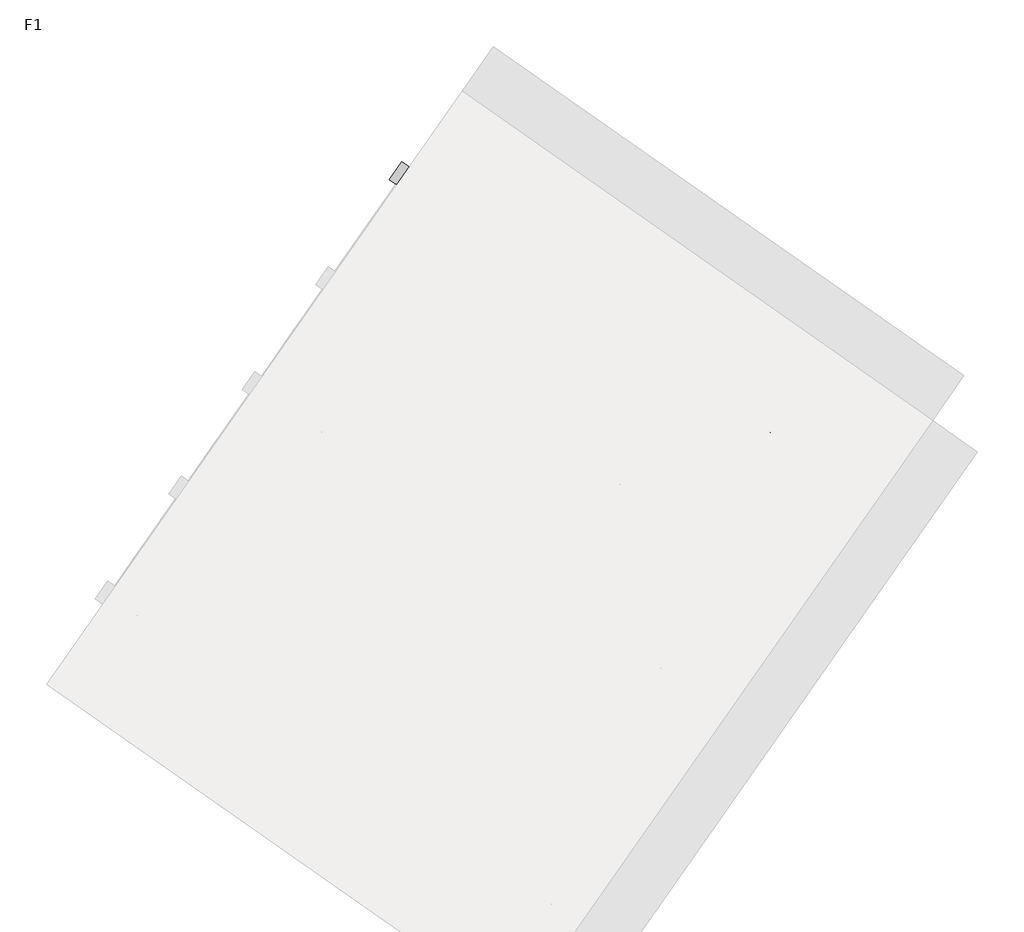
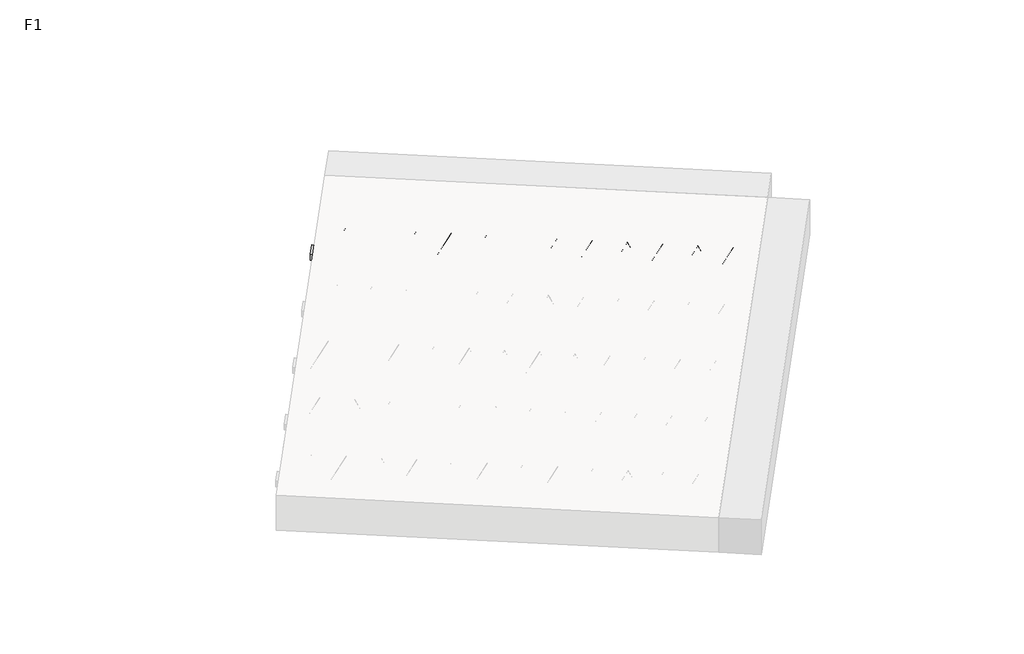
# One storey, part 27 of 30: 2 beams.
"""IFC4 building model written with IfcOpenShell, lengths in millimetres."""

from ifc_helpers import new_model, si_unit, point, frame, origin, origin_2d, place, context, project, spatial, polyline, circle_curve, trimmed, segment, composite_curve, outline, extrude, element, save

model = new_model("IFC4")

# Units and contexts
model_context = context("Model", 3, world=origin())
ifc_project = project(units=[si_unit("LENGTHUNIT", "METRE", prefix="MILLI")], contexts=[model_context])

# Site, building, storey
site = spatial("IfcSite", under=ifc_project)
building = spatial("IfcBuilding", under=site)
storey = spatial("IfcBuildingStorey", under=building, Name="F1", Elevation=99520.0)

# Beams
placement = place(None, origin())
element("IfcBeam", 1, at=placement, inside=storey, context=model_context, shape_type="SweptSolid", body=[
    extrude(outline(polyline([(12049.571242, 7054.7734205), (12118.4004143, 7153.0716658), (14772.4530378, 5294.6840119), (14703.6238654, 5196.3857666), (12049.571242, 7054.7734205)])), frame((0.0, 0.0, 99720.0), z_axis=(0.0, 0.0, 1.0), x_axis=(1.0, 0.0, 0.0)), (0.0, 0.0, 1.0), 50.0),
])
element("IfcBeam", 2, at=placement, inside=storey, context=model_context, shape_type="SweptSolid", body=[
    extrude(outline(composite_curve([segment(trimmed(circle_curve(origin_2d(), 2.5), [point((-2.5000001, 0.0))], [point((2.5, 0.0))], False, "CARTESIAN"), True, "CONTINUOUS"), segment(trimmed(circle_curve(origin_2d(), 2.5), [point((2.5, 0.0))], [point((-2.5000001, 0.0))], False, "CARTESIAN"), True, "CONTINUOUS")], self_intersect=False)), frame((14697.7300508, 5229.8112502, 99745.0), z_axis=(-0.8191520442696126, 0.5735764363787226, 0.0), x_axis=(0.5735764363787226, 0.8191520442696126, 0.0)), (0.0, 0.0, 1.0), 3192.0),
    extrude(outline(composite_curve([segment(trimmed(circle_curve(origin_2d(), 2.5), [point((-2.5, 0.0))], [point((2.5, 0.0))], False, "CARTESIAN"), True, "CONTINUOUS"), segment(trimmed(circle_curve(origin_2d(), 2.5), [point((2.5, 0.0))], [point((-2.5, 0.0))], False, "CARTESIAN"), True, "CONTINUOUS")], self_intersect=False)), frame((14578.3038029, 5357.3822944, 99970.0), z_axis=(-0.8191520442696126, 0.5735764363787226, 0.0), x_axis=(0.5735764363787226, 0.8191520442696126, 0.0)), (0.0, 0.0, 1.0), 2850.0),
    extrude(outline(composite_curve([segment(trimmed(circle_curve(origin_2d(), 2.5), [point((-2.5, 0.0))], [point((2.5000001, 0.0))], False, "CARTESIAN"), True, "CONTINUOUS"), segment(trimmed(circle_curve(origin_2d(), 2.5), [point((2.5000001, 0.0))], [point((-2.5, 0.0))], False, "CARTESIAN"), True, "CONTINUOUS")], self_intersect=False)), frame((14619.0914545, 5284.874588, 99745.0), z_axis=(-0.3145304735701046, 0.38933448886848654, 0.8657304643902053), x_axis=(0.7778747638402499, 0.6284193279813057, 0.0)), (0.0, 0.0, 1.0), 259.8961331),
    extrude(outline(composite_curve([segment(trimmed(circle_curve(origin_2d(), 2.5), [point((2.5, 0.0))], [point((-2.5000001, 0.0))], False, "CARTESIAN"), True, "CONTINUOUS"), segment(trimmed(circle_curve(origin_2d(), 2.5), [point((-2.5000001, 0.0))], [point((2.5, 0.0))], False, "CARTESIAN"), True, "CONTINUOUS")], self_intersect=False)), frame((14414.3034435, 5428.2686971, 99745.0), z_axis=(0.47343050384693375, -0.16240172737369005, 0.8657304643902051), x_axis=(-0.3244721671091268, -0.9458952440791246, 0.0)), (0.0, 0.0, 1.0), 259.8961331),
    extrude(outline(composite_curve([segment(trimmed(circle_curve(origin_2d(), 2.5), [point((-2.5, 0.0))], [point((2.5, 1e-07))], False, "CARTESIAN"), True, "CONTINUOUS"), segment(trimmed(circle_curve(origin_2d(), 2.5), [point((2.5, 1e-07))], [point((-2.5, 0.0))], False, "CARTESIAN"), True, "CONTINUOUS")], self_intersect=False)), frame((14414.3034435, 5428.2686971, 99745.0), z_axis=(-0.3145304735701046, 0.38933448886848654, 0.8657304643902053), x_axis=(0.7778747638402499, 0.6284193279813057, 0.0)), (0.0, 0.0, 1.0), 259.8961331),
    extrude(outline(composite_curve([segment(trimmed(circle_curve(origin_2d(), 2.5), [point((2.5, 0.0))], [point((-2.5, 0.0))], False, "CARTESIAN"), True, "CONTINUOUS"), segment(trimmed(circle_curve(origin_2d(), 2.5), [point((-2.5, 0.0))], [point((2.5, 0.0))], False, "CARTESIAN"), True, "CONTINUOUS")], self_intersect=False)), frame((14209.5154324, 5571.6628062, 99745.0), z_axis=(0.47343050384693375, -0.16240172737369005, 0.8657304643902051), x_axis=(-0.3244721671091268, -0.9458952440791246, 0.0)), (0.0, 0.0, 1.0), 259.8961331),
    extrude(outline(composite_curve([segment(trimmed(circle_curve(origin_2d(), 2.5), [point((-2.5, 0.0))], [point((2.5, 1e-07))], False, "CARTESIAN"), True, "CONTINUOUS"), segment(trimmed(circle_curve(origin_2d(), 2.5), [point((2.5, 1e-07))], [point((-2.5, 0.0))], False, "CARTESIAN"), True, "CONTINUOUS")], self_intersect=False)), frame((14209.5154324, 5571.6628062, 99745.0), z_axis=(-0.3145304735701046, 0.38933448886848654, 0.8657304643902053), x_axis=(0.7778747638402499, 0.6284193279813057, 0.0)), (0.0, 0.0, 1.0), 259.8961331),
    extrude(outline(composite_curve([segment(trimmed(circle_curve(origin_2d(), 2.5), [point((2.5, 0.0))], [point((-2.5, 1e-07))], False, "CARTESIAN"), True, "CONTINUOUS"), segment(trimmed(circle_curve(origin_2d(), 2.5), [point((-2.5, 1e-07))], [point((2.5, 0.0))], False, "CARTESIAN"), True, "CONTINUOUS")], self_intersect=False)), frame((14004.7274213, 5715.0569153, 99745.0), z_axis=(0.47343050384693375, -0.16240172737369005, 0.8657304643902051), x_axis=(-0.3244721671091268, -0.9458952440791246, 0.0)), (0.0, 0.0, 1.0), 259.8961331),
    extrude(outline(composite_curve([segment(trimmed(circle_curve(origin_2d(), 2.5), [point((-2.5, 0.0))], [point((2.5000001, 0.0))], False, "CARTESIAN"), True, "CONTINUOUS"), segment(trimmed(circle_curve(origin_2d(), 2.5), [point((2.5000001, 0.0))], [point((-2.5, 0.0))], False, "CARTESIAN"), True, "CONTINUOUS")], self_intersect=False)), frame((14004.7274213, 5715.0569153, 99745.0), z_axis=(-0.3145304735701046, 0.38933448886848654, 0.8657304643902053), x_axis=(0.7778747638402499, 0.6284193279813057, 0.0)), (0.0, 0.0, 1.0), 259.8961331),
    extrude(outline(composite_curve([segment(trimmed(circle_curve(origin_2d(), 2.5), [point((2.5, 0.0))], [point((-2.5, 0.0))], False, "CARTESIAN"), True, "CONTINUOUS"), segment(trimmed(circle_curve(origin_2d(), 2.5), [point((-2.5, 0.0))], [point((2.5, 0.0))], False, "CARTESIAN"), True, "CONTINUOUS")], self_intersect=False)), frame((13799.9394103, 5858.4510244, 99745.0), z_axis=(0.47343050384693375, -0.16240172737369005, 0.8657304643902051), x_axis=(-0.3244721671091268, -0.9458952440791246, 0.0)), (0.0, 0.0, 1.0), 259.8961331),
    extrude(outline(composite_curve([segment(trimmed(circle_curve(origin_2d(), 2.5), [point((-2.5, 0.0))], [point((2.5, 0.0))], False, "CARTESIAN"), True, "CONTINUOUS"), segment(trimmed(circle_curve(origin_2d(), 2.5), [point((2.5, 0.0))], [point((-2.5, 0.0))], False, "CARTESIAN"), True, "CONTINUOUS")], self_intersect=False)), frame((13799.9394103, 5858.4510244, 99745.0), z_axis=(-0.3145304735701046, 0.38933448886848654, 0.8657304643902053), x_axis=(0.7778747638402499, 0.6284193279813057, 0.0)), (0.0, 0.0, 1.0), 259.8961331),
    extrude(outline(composite_curve([segment(trimmed(circle_curve(origin_2d(), 2.5), [point((2.5, 0.0))], [point((-2.5, 0.0))], False, "CARTESIAN"), True, "CONTINUOUS"), segment(trimmed(circle_curve(origin_2d(), 2.5), [point((-2.5, 0.0))], [point((2.5, 0.0))], False, "CARTESIAN"), True, "CONTINUOUS")], self_intersect=False)), frame((13595.1513992, 6001.8451335, 99745.0), z_axis=(0.47343050384693375, -0.16240172737369005, 0.8657304643902051), x_axis=(-0.3244721671091268, -0.9458952440791246, 0.0)), (0.0, 0.0, 1.0), 259.8961331),
    extrude(outline(composite_curve([segment(trimmed(circle_curve(origin_2d(), 2.5), [point((-2.5, 0.0))], [point((2.5, 0.0))], False, "CARTESIAN"), True, "CONTINUOUS"), segment(trimmed(circle_curve(origin_2d(), 2.5), [point((2.5, 0.0))], [point((-2.5, 0.0))], False, "CARTESIAN"), True, "CONTINUOUS")], self_intersect=False)), frame((13595.1513992, 6001.8451335, 99745.0), z_axis=(-0.3145304735701046, 0.38933448886848654, 0.8657304643902053), x_axis=(0.7778747638402499, 0.6284193279813057, 0.0)), (0.0, 0.0, 1.0), 259.8961331),
    extrude(outline(composite_curve([segment(trimmed(circle_curve(origin_2d(), 2.5), [point((2.5, 0.0))], [point((-2.5, 1e-07))], False, "CARTESIAN"), True, "CONTINUOUS"), segment(trimmed(circle_curve(origin_2d(), 2.5), [point((-2.5, 1e-07))], [point((2.5, 0.0))], False, "CARTESIAN"), True, "CONTINUOUS")], self_intersect=False)), frame((13390.3633881, 6145.2392426, 99745.0), z_axis=(0.47343050384693375, -0.16240172737369005, 0.8657304643902051), x_axis=(-0.3244721671091268, -0.9458952440791246, 0.0)), (0.0, 0.0, 1.0), 259.8961331),
    extrude(outline(composite_curve([segment(trimmed(circle_curve(origin_2d(), 2.5), [point((-2.5, 0.0))], [point((2.5000001, -1e-07))], False, "CARTESIAN"), True, "CONTINUOUS"), segment(trimmed(circle_curve(origin_2d(), 2.5), [point((2.5000001, -1e-07))], [point((-2.5, 0.0))], False, "CARTESIAN"), True, "CONTINUOUS")], self_intersect=False)), frame((13390.3633881, 6145.2392426, 99745.0), z_axis=(-0.3145304735701046, 0.38933448886848654, 0.8657304643902053), x_axis=(0.7778747638402499, 0.6284193279813057, 0.0)), (0.0, 0.0, 1.0), 259.8961331),
    extrude(outline(composite_curve([segment(trimmed(circle_curve(origin_2d(), 2.5), [point((2.5, 0.0))], [point((-2.5, 0.0))], False, "CARTESIAN"), True, "CONTINUOUS"), segment(trimmed(circle_curve(origin_2d(), 2.5), [point((-2.5, 0.0))], [point((2.5, 0.0))], False, "CARTESIAN"), True, "CONTINUOUS")], self_intersect=False)), frame((13185.5753771, 6288.6333517, 99745.0), z_axis=(0.47343050384693375, -0.16240172737369005, 0.8657304643902051), x_axis=(-0.3244721671091268, -0.9458952440791246, 0.0)), (0.0, 0.0, 1.0), 259.8961331),
    extrude(outline(composite_curve([segment(trimmed(circle_curve(origin_2d(), 2.5), [point((-2.5, 0.0))], [point((2.5, 0.0))], False, "CARTESIAN"), True, "CONTINUOUS"), segment(trimmed(circle_curve(origin_2d(), 2.5), [point((2.5, 0.0))], [point((-2.5, 0.0))], False, "CARTESIAN"), True, "CONTINUOUS")], self_intersect=False)), frame((13185.5753771, 6288.6333517, 99745.0), z_axis=(-0.3145304735701046, 0.38933448886848654, 0.8657304643902053), x_axis=(0.7778747638402499, 0.6284193279813057, 0.0)), (0.0, 0.0, 1.0), 259.8961331),
    extrude(outline(composite_curve([segment(trimmed(circle_curve(origin_2d(), 2.5), [point((2.5, 0.0))], [point((-2.5, 0.0))], False, "CARTESIAN"), True, "CONTINUOUS"), segment(trimmed(circle_curve(origin_2d(), 2.5), [point((-2.5, 0.0))], [point((2.5, 0.0))], False, "CARTESIAN"), True, "CONTINUOUS")], self_intersect=False)), frame((12980.787366, 6432.0274608, 99745.0), z_axis=(0.47343050384693375, -0.16240172737369005, 0.8657304643902051), x_axis=(-0.3244721671091268, -0.9458952440791246, 0.0)), (0.0, 0.0, 1.0), 259.8961331),
    extrude(outline(composite_curve([segment(trimmed(circle_curve(origin_2d(), 2.5), [point((-2.5, 0.0))], [point((2.5, 0.0))], False, "CARTESIAN"), True, "CONTINUOUS"), segment(trimmed(circle_curve(origin_2d(), 2.5), [point((2.5, 0.0))], [point((-2.5, 0.0))], False, "CARTESIAN"), True, "CONTINUOUS")], self_intersect=False)), frame((12980.787366, 6432.0274608, 99745.0), z_axis=(-0.3145304735701046, 0.38933448886848654, 0.8657304643902053), x_axis=(0.7778747638402499, 0.6284193279813057, 0.0)), (0.0, 0.0, 1.0), 259.8961331),
    extrude(outline(composite_curve([segment(trimmed(circle_curve(origin_2d(), 2.5), [point((2.5, 0.0))], [point((-2.5, 1e-07))], False, "CARTESIAN"), True, "CONTINUOUS"), segment(trimmed(circle_curve(origin_2d(), 2.5), [point((-2.5, 1e-07))], [point((2.5, 0.0))], False, "CARTESIAN"), True, "CONTINUOUS")], self_intersect=False)), frame((12775.9993549, 6575.4215699, 99745.0), z_axis=(0.47343050384693375, -0.16240172737369005, 0.8657304643902051), x_axis=(-0.3244721671091268, -0.9458952440791246, 0.0)), (0.0, 0.0, 1.0), 259.8961331),
    extrude(outline(composite_curve([segment(trimmed(circle_curve(origin_2d(), 2.5), [point((-2.5, 0.0))], [point((2.5000001, -1e-07))], False, "CARTESIAN"), True, "CONTINUOUS"), segment(trimmed(circle_curve(origin_2d(), 2.5), [point((2.5000001, -1e-07))], [point((-2.5, 0.0))], False, "CARTESIAN"), True, "CONTINUOUS")], self_intersect=False)), frame((12775.9993549, 6575.4215699, 99745.0), z_axis=(-0.3145304735701046, 0.38933448886848654, 0.8657304643902053), x_axis=(0.7778747638402499, 0.6284193279813057, 0.0)), (0.0, 0.0, 1.0), 259.8961331),
    extrude(outline(composite_curve([segment(trimmed(circle_curve(origin_2d(), 2.5), [point((2.5, 0.0))], [point((-2.5, 0.0))], False, "CARTESIAN"), True, "CONTINUOUS"), segment(trimmed(circle_curve(origin_2d(), 2.5), [point((-2.5, 0.0))], [point((2.5, 0.0))], False, "CARTESIAN"), True, "CONTINUOUS")], self_intersect=False)), frame((12571.2113439, 6718.815679, 99745.0), z_axis=(0.47343050384693375, -0.16240172737369005, 0.8657304643902051), x_axis=(-0.3244721671091268, -0.9458952440791246, 0.0)), (0.0, 0.0, 1.0), 259.8961331),
    extrude(outline(composite_curve([segment(trimmed(circle_curve(origin_2d(), 2.5), [point((-2.5, 0.0))], [point((2.5, 0.0))], False, "CARTESIAN"), True, "CONTINUOUS"), segment(trimmed(circle_curve(origin_2d(), 2.5), [point((2.5, 0.0))], [point((-2.5, 0.0))], False, "CARTESIAN"), True, "CONTINUOUS")], self_intersect=False)), frame((12571.2113439, 6718.815679, 99745.0), z_axis=(-0.3145304735701046, 0.38933448886848654, 0.8657304643902053), x_axis=(0.7778747638402499, 0.6284193279813057, 0.0)), (0.0, 0.0, 1.0), 259.8961331),
    extrude(outline(composite_curve([segment(trimmed(circle_curve(origin_2d(), 2.5), [point((2.5, 0.0))], [point((-2.5, 0.0))], False, "CARTESIAN"), True, "CONTINUOUS"), segment(trimmed(circle_curve(origin_2d(), 2.5), [point((-2.5, 0.0))], [point((2.5, 0.0))], False, "CARTESIAN"), True, "CONTINUOUS")], self_intersect=False)), frame((12366.4233328, 6862.2097881, 99745.0), z_axis=(0.47343050384693375, -0.16240172737369005, 0.8657304643902051), x_axis=(-0.3244721671091268, -0.9458952440791246, 0.0)), (0.0, 0.0, 1.0), 259.8961331),
    extrude(outline(composite_curve([segment(trimmed(circle_curve(origin_2d(), 2.5), [point((-2.5, 0.0))], [point((2.5, 0.0))], False, "CARTESIAN"), True, "CONTINUOUS"), segment(trimmed(circle_curve(origin_2d(), 2.5), [point((2.5, 0.0))], [point((-2.5, 0.0))], False, "CARTESIAN"), True, "CONTINUOUS")], self_intersect=False)), frame((12366.4233328, 6862.2097881, 99745.0), z_axis=(-0.3145304735701046, 0.38933448886848654, 0.8657304643902053), x_axis=(0.7778747638402499, 0.6284193279813057, 0.0)), (0.0, 0.0, 1.0), 259.8961331),
    extrude(outline(composite_curve([segment(trimmed(circle_curve(origin_2d(), 2.5), [point((2.5, 0.0))], [point((-2.5, 1e-07))], False, "CARTESIAN"), True, "CONTINUOUS"), segment(trimmed(circle_curve(origin_2d(), 2.5), [point((-2.5, 1e-07))], [point((2.5, 0.0))], False, "CARTESIAN"), True, "CONTINUOUS")], self_intersect=False)), frame((12161.6353217, 7005.6038972, 99745.0), z_axis=(0.47343050384693375, -0.16240172737369005, 0.8657304643902051), x_axis=(-0.3244721671091268, -0.9458952440791246, 0.0)), (0.0, 0.0, 1.0), 259.8961331),
    extrude(outline(composite_curve([segment(trimmed(circle_curve(origin_2d(), 2.5), [point((-2.5, 0.0))], [point((2.5000001, 0.0))], False, "CARTESIAN"), True, "CONTINUOUS"), segment(trimmed(circle_curve(origin_2d(), 2.5), [point((2.5000001, 0.0))], [point((-2.5, 0.0))], False, "CARTESIAN"), True, "CONTINUOUS")], self_intersect=False)), frame((14739.0275542, 5288.7901973, 99745.0), z_axis=(-0.8191520442696126, 0.5735764363787226, 0.0), x_axis=(0.5735764363787226, 0.8191520442696126, 0.0)), (0.0, 0.0, 1.0), 3192.0),
    extrude(outline(composite_curve([segment(trimmed(circle_curve(origin_2d(), 2.5), [point((-2.5, 1e-07))], [point((2.5, 0.0))], False, "CARTESIAN"), True, "CONTINUOUS"), segment(trimmed(circle_curve(origin_2d(), 2.5), [point((2.5, 0.0))], [point((-2.5, 1e-07))], False, "CARTESIAN"), True, "CONTINUOUS")], self_intersect=False)), frame((14660.388958, 5343.8535352, 99745.0), z_axis=(-0.47343050384693375, 0.16240172737369005, 0.8657304643902051), x_axis=(0.3244721671091268, 0.9458952440791246, 0.0)), (0.0, 0.0, 1.0), 259.8961331),
    extrude(outline(composite_curve([segment(trimmed(circle_curve(origin_2d(), 2.5), [point((2.5, 0.0))], [point((-2.5, 0.0))], False, "CARTESIAN"), True, "CONTINUOUS"), segment(trimmed(circle_curve(origin_2d(), 2.5), [point((-2.5, 0.0))], [point((2.5, 0.0))], False, "CARTESIAN"), True, "CONTINUOUS")], self_intersect=False)), frame((14455.6009469, 5487.2476443, 99745.0), z_axis=(0.3145304735701046, -0.38933448886848654, 0.8657304643902053), x_axis=(-0.7778747638402499, -0.6284193279813057, 0.0)), (0.0, 0.0, 1.0), 259.8961331),
    extrude(outline(composite_curve([segment(trimmed(circle_curve(origin_2d(), 2.5), [point((-2.5, 0.0))], [point((2.5, 0.0))], False, "CARTESIAN"), True, "CONTINUOUS"), segment(trimmed(circle_curve(origin_2d(), 2.5), [point((2.5, 0.0))], [point((-2.5, 0.0))], False, "CARTESIAN"), True, "CONTINUOUS")], self_intersect=False)), frame((14455.6009469, 5487.2476443, 99745.0), z_axis=(-0.47343050384693375, 0.16240172737369005, 0.8657304643902051), x_axis=(0.3244721671091268, 0.9458952440791246, 0.0)), (0.0, 0.0, 1.0), 259.8961331),
    extrude(outline(composite_curve([segment(trimmed(circle_curve(origin_2d(), 2.5), [point((2.5, 0.0))], [point((-2.5, 0.0))], False, "CARTESIAN"), True, "CONTINUOUS"), segment(trimmed(circle_curve(origin_2d(), 2.5), [point((-2.5, 0.0))], [point((2.5, 0.0))], False, "CARTESIAN"), True, "CONTINUOUS")], self_intersect=False)), frame((14250.8129358, 5630.6417534, 99745.0), z_axis=(0.3145304735701046, -0.38933448886848654, 0.8657304643902053), x_axis=(-0.7778747638402499, -0.6284193279813057, 0.0)), (0.0, 0.0, 1.0), 259.8961331),
    extrude(outline(composite_curve([segment(trimmed(circle_curve(origin_2d(), 2.5), [point((-2.5, 0.0))], [point((2.5, -1e-07))], False, "CARTESIAN"), True, "CONTINUOUS"), segment(trimmed(circle_curve(origin_2d(), 2.5), [point((2.5, -1e-07))], [point((-2.5, 0.0))], False, "CARTESIAN"), True, "CONTINUOUS")], self_intersect=False)), frame((14250.8129358, 5630.6417534, 99745.0), z_axis=(-0.47343050384693375, 0.16240172737369005, 0.8657304643902051), x_axis=(0.3244721671091268, 0.9458952440791246, 0.0)), (0.0, 0.0, 1.0), 259.8961331),
    extrude(outline(composite_curve([segment(trimmed(circle_curve(origin_2d(), 2.5), [point((2.5, 0.0))], [point((-2.5, 0.0))], False, "CARTESIAN"), True, "CONTINUOUS"), segment(trimmed(circle_curve(origin_2d(), 2.5), [point((-2.5, 0.0))], [point((2.5, 0.0))], False, "CARTESIAN"), True, "CONTINUOUS")], self_intersect=False)), frame((14046.0249248, 5774.0358625, 99745.0), z_axis=(0.3145304735701046, -0.38933448886848654, 0.8657304643902053), x_axis=(-0.7778747638402499, -0.6284193279813057, 0.0)), (0.0, 0.0, 1.0), 259.8961331),
    extrude(outline(composite_curve([segment(trimmed(circle_curve(origin_2d(), 2.5), [point((-2.5, 1e-07))], [point((2.5, 0.0))], False, "CARTESIAN"), True, "CONTINUOUS"), segment(trimmed(circle_curve(origin_2d(), 2.5), [point((2.5, 0.0))], [point((-2.5, 1e-07))], False, "CARTESIAN"), True, "CONTINUOUS")], self_intersect=False)), frame((14046.0249248, 5774.0358625, 99745.0), z_axis=(-0.47343050384693375, 0.16240172737369005, 0.8657304643902051), x_axis=(0.3244721671091268, 0.9458952440791246, 0.0)), (0.0, 0.0, 1.0), 259.8961331),
    extrude(outline(composite_curve([segment(trimmed(circle_curve(origin_2d(), 2.5), [point((2.5, 0.0))], [point((-2.5, 0.0))], False, "CARTESIAN"), True, "CONTINUOUS"), segment(trimmed(circle_curve(origin_2d(), 2.5), [point((-2.5, 0.0))], [point((2.5, 0.0))], False, "CARTESIAN"), True, "CONTINUOUS")], self_intersect=False)), frame((13841.2369137, 5917.4299716, 99745.0), z_axis=(0.3145304735701046, -0.38933448886848654, 0.8657304643902053), x_axis=(-0.7778747638402499, -0.6284193279813057, 0.0)), (0.0, 0.0, 1.0), 259.8961331),
    extrude(outline(composite_curve([segment(trimmed(circle_curve(origin_2d(), 2.5), [point((-2.5, 0.0))], [point((2.5, 0.0))], False, "CARTESIAN"), True, "CONTINUOUS"), segment(trimmed(circle_curve(origin_2d(), 2.5), [point((2.5, 0.0))], [point((-2.5, 0.0))], False, "CARTESIAN"), True, "CONTINUOUS")], self_intersect=False)), frame((13841.2369137, 5917.4299716, 99745.0), z_axis=(-0.47343050384693375, 0.16240172737369005, 0.8657304643902051), x_axis=(0.3244721671091268, 0.9458952440791246, 0.0)), (0.0, 0.0, 1.0), 259.8961331),
    extrude(outline(composite_curve([segment(trimmed(circle_curve(origin_2d(), 2.5), [point((2.5, 0.0))], [point((-2.5, 0.0))], False, "CARTESIAN"), True, "CONTINUOUS"), segment(trimmed(circle_curve(origin_2d(), 2.5), [point((-2.5, 0.0))], [point((2.5, 0.0))], False, "CARTESIAN"), True, "CONTINUOUS")], self_intersect=False)), frame((13636.4489026, 6060.8240807, 99745.0), z_axis=(0.3145304735701046, -0.38933448886848654, 0.8657304643902053), x_axis=(-0.7778747638402499, -0.6284193279813057, 0.0)), (0.0, 0.0, 1.0), 259.8961331),
    extrude(outline(composite_curve([segment(trimmed(circle_curve(origin_2d(), 2.5), [point((-2.5, 0.0))], [point((2.5, 0.0))], False, "CARTESIAN"), True, "CONTINUOUS"), segment(trimmed(circle_curve(origin_2d(), 2.5), [point((2.5, 0.0))], [point((-2.5, 0.0))], False, "CARTESIAN"), True, "CONTINUOUS")], self_intersect=False)), frame((13636.4489026, 6060.8240807, 99745.0), z_axis=(-0.47343050384693375, 0.16240172737369005, 0.8657304643902051), x_axis=(0.3244721671091268, 0.9458952440791246, 0.0)), (0.0, 0.0, 1.0), 259.8961331),
    extrude(outline(composite_curve([segment(trimmed(circle_curve(origin_2d(), 2.5), [point((2.5, 0.0))], [point((-2.5, 0.0))], False, "CARTESIAN"), True, "CONTINUOUS"), segment(trimmed(circle_curve(origin_2d(), 2.5), [point((-2.5, 0.0))], [point((2.5, 0.0))], False, "CARTESIAN"), True, "CONTINUOUS")], self_intersect=False)), frame((13431.6608916, 6204.2181898, 99745.0), z_axis=(0.3145304735701046, -0.38933448886848654, 0.8657304643902053), x_axis=(-0.7778747638402499, -0.6284193279813057, 0.0)), (0.0, 0.0, 1.0), 259.8961331),
    extrude(outline(composite_curve([segment(trimmed(circle_curve(origin_2d(), 2.5), [point((-2.5, 1e-07))], [point((2.5, 0.0))], False, "CARTESIAN"), True, "CONTINUOUS"), segment(trimmed(circle_curve(origin_2d(), 2.5), [point((2.5, 0.0))], [point((-2.5, 1e-07))], False, "CARTESIAN"), True, "CONTINUOUS")], self_intersect=False)), frame((13431.6608916, 6204.2181898, 99745.0), z_axis=(-0.47343050384693375, 0.16240172737369005, 0.8657304643902051), x_axis=(0.3244721671091268, 0.9458952440791246, 0.0)), (0.0, 0.0, 1.0), 259.8961331),
    extrude(outline(composite_curve([segment(trimmed(circle_curve(origin_2d(), 2.5), [point((2.5, 0.0))], [point((-2.5, 0.0))], False, "CARTESIAN"), True, "CONTINUOUS"), segment(trimmed(circle_curve(origin_2d(), 2.5), [point((-2.5, 0.0))], [point((2.5, 0.0))], False, "CARTESIAN"), True, "CONTINUOUS")], self_intersect=False)), frame((13226.8728805, 6347.6122989, 99745.0), z_axis=(0.3145304735701046, -0.38933448886848654, 0.8657304643902053), x_axis=(-0.7778747638402499, -0.6284193279813057, 0.0)), (0.0, 0.0, 1.0), 259.8961331),
    extrude(outline(composite_curve([segment(trimmed(circle_curve(origin_2d(), 2.5), [point((-2.5, 0.0))], [point((2.5, 0.0))], False, "CARTESIAN"), True, "CONTINUOUS"), segment(trimmed(circle_curve(origin_2d(), 2.5), [point((2.5, 0.0))], [point((-2.5, 0.0))], False, "CARTESIAN"), True, "CONTINUOUS")], self_intersect=False)), frame((13226.8728805, 6347.6122989, 99745.0), z_axis=(-0.47343050384693375, 0.16240172737369005, 0.8657304643902051), x_axis=(0.3244721671091268, 0.9458952440791246, 0.0)), (0.0, 0.0, 1.0), 259.8961331),
    extrude(outline(composite_curve([segment(trimmed(circle_curve(origin_2d(), 2.5), [point((2.5, 0.0))], [point((-2.5, 0.0))], False, "CARTESIAN"), True, "CONTINUOUS"), segment(trimmed(circle_curve(origin_2d(), 2.5), [point((-2.5, 0.0))], [point((2.5, 0.0))], False, "CARTESIAN"), True, "CONTINUOUS")], self_intersect=False)), frame((13022.0848694, 6491.006408, 99745.0), z_axis=(0.3145304735701046, -0.38933448886848654, 0.8657304643902053), x_axis=(-0.7778747638402499, -0.6284193279813057, 0.0)), (0.0, 0.0, 1.0), 259.8961331),
    extrude(outline(composite_curve([segment(trimmed(circle_curve(origin_2d(), 2.5), [point((-2.5, 0.0))], [point((2.5, 0.0))], False, "CARTESIAN"), True, "CONTINUOUS"), segment(trimmed(circle_curve(origin_2d(), 2.5), [point((2.5, 0.0))], [point((-2.5, 0.0))], False, "CARTESIAN"), True, "CONTINUOUS")], self_intersect=False)), frame((13022.0848694, 6491.006408, 99745.0), z_axis=(-0.47343050384693375, 0.16240172737369005, 0.8657304643902051), x_axis=(0.3244721671091268, 0.9458952440791246, 0.0)), (0.0, 0.0, 1.0), 259.8961331),
    extrude(outline(composite_curve([segment(trimmed(circle_curve(origin_2d(), 2.5), [point((2.5, 0.0))], [point((-2.5, 0.0))], False, "CARTESIAN"), True, "CONTINUOUS"), segment(trimmed(circle_curve(origin_2d(), 2.5), [point((-2.5, 0.0))], [point((2.5, 0.0))], False, "CARTESIAN"), True, "CONTINUOUS")], self_intersect=False)), frame((12817.2968584, 6634.4005171, 99745.0), z_axis=(0.3145304735701046, -0.38933448886848654, 0.8657304643902053), x_axis=(-0.7778747638402499, -0.6284193279813057, 0.0)), (0.0, 0.0, 1.0), 259.8961331),
    extrude(outline(composite_curve([segment(trimmed(circle_curve(origin_2d(), 2.5), [point((-2.5, 1e-07))], [point((2.5, 0.0))], False, "CARTESIAN"), True, "CONTINUOUS"), segment(trimmed(circle_curve(origin_2d(), 2.5), [point((2.5, 0.0))], [point((-2.5, 1e-07))], False, "CARTESIAN"), True, "CONTINUOUS")], self_intersect=False)), frame((12817.2968584, 6634.4005171, 99745.0), z_axis=(-0.47343050384693375, 0.16240172737369005, 0.8657304643902051), x_axis=(0.3244721671091268, 0.9458952440791246, 0.0)), (0.0, 0.0, 1.0), 259.8961331),
    extrude(outline(composite_curve([segment(trimmed(circle_curve(origin_2d(), 2.5), [point((2.5, 0.0))], [point((-2.5, 0.0))], False, "CARTESIAN"), True, "CONTINUOUS"), segment(trimmed(circle_curve(origin_2d(), 2.5), [point((-2.5, 0.0))], [point((2.5, 0.0))], False, "CARTESIAN"), True, "CONTINUOUS")], self_intersect=False)), frame((12612.5088473, 6777.7946262, 99745.0), z_axis=(0.3145304735701046, -0.38933448886848654, 0.8657304643902053), x_axis=(-0.7778747638402499, -0.6284193279813057, 0.0)), (0.0, 0.0, 1.0), 259.8961331),
    extrude(outline(composite_curve([segment(trimmed(circle_curve(origin_2d(), 2.5), [point((-2.5, 0.0))], [point((2.5, 0.0))], False, "CARTESIAN"), True, "CONTINUOUS"), segment(trimmed(circle_curve(origin_2d(), 2.5), [point((2.5, 0.0))], [point((-2.5, 0.0))], False, "CARTESIAN"), True, "CONTINUOUS")], self_intersect=False)), frame((12612.5088473, 6777.7946262, 99745.0), z_axis=(-0.47343050384693375, 0.16240172737369005, 0.8657304643902051), x_axis=(0.3244721671091268, 0.9458952440791246, 0.0)), (0.0, 0.0, 1.0), 259.8961331),
    extrude(outline(composite_curve([segment(trimmed(circle_curve(origin_2d(), 2.5), [point((2.5, 0.0))], [point((-2.5, 0.0))], False, "CARTESIAN"), True, "CONTINUOUS"), segment(trimmed(circle_curve(origin_2d(), 2.5), [point((-2.5, 0.0))], [point((2.5, 0.0))], False, "CARTESIAN"), True, "CONTINUOUS")], self_intersect=False)), frame((12407.7208362, 6921.1887353, 99745.0), z_axis=(0.3145304735701046, -0.38933448886848654, 0.8657304643902053), x_axis=(-0.7778747638402499, -0.6284193279813057, 0.0)), (0.0, 0.0, 1.0), 259.8961331),
    extrude(outline(composite_curve([segment(trimmed(circle_curve(origin_2d(), 2.5), [point((-2.5, 0.0))], [point((2.5, 0.0))], False, "CARTESIAN"), True, "CONTINUOUS"), segment(trimmed(circle_curve(origin_2d(), 2.5), [point((2.5, 0.0))], [point((-2.5, 0.0))], False, "CARTESIAN"), True, "CONTINUOUS")], self_intersect=False)), frame((12407.7208362, 6921.1887353, 99745.0), z_axis=(-0.47343050384693375, 0.16240172737369005, 0.8657304643902051), x_axis=(0.3244721671091268, 0.9458952440791246, 0.0)), (0.0, 0.0, 1.0), 259.8961331),
    extrude(outline(composite_curve([segment(trimmed(circle_curve(origin_2d(), 2.5), [point((2.5000001, -1e-07))], [point((-2.5, 0.0))], False, "CARTESIAN"), True, "CONTINUOUS"), segment(trimmed(circle_curve(origin_2d(), 2.5), [point((-2.5, 0.0))], [point((2.5000001, -1e-07))], False, "CARTESIAN"), True, "CONTINUOUS")], self_intersect=False)), frame((12202.9328252, 7064.5828444, 99745.0), z_axis=(0.3145304735701046, -0.38933448886848654, 0.8657304643902053), x_axis=(-0.7778747638402499, -0.6284193279813057, 0.0)), (0.0, 0.0, 1.0), 259.8961331),
])

save(model, "model.ifc")
